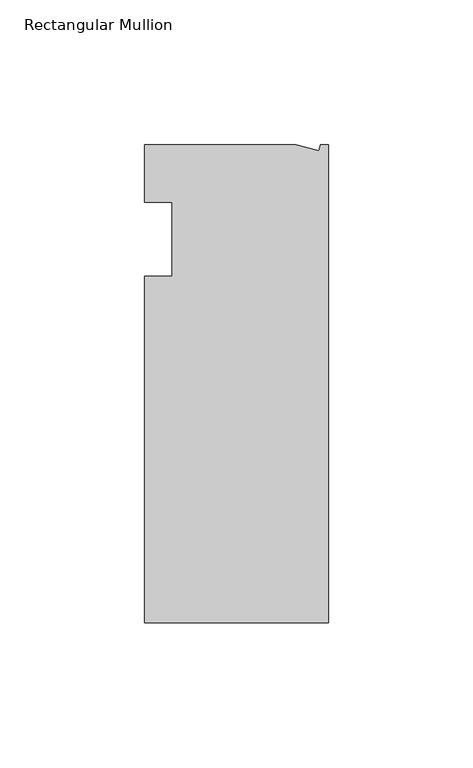
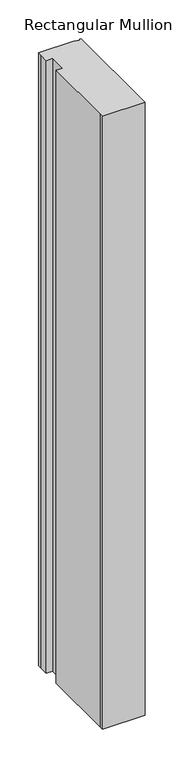
"""IFC4 building model written with IfcOpenShell, lengths in millimetres: member geometry, Rectangular Mullion."""

import ifcopenshell
import ifcopenshell.guid

model = None  # the IFC model being written
_history = None  # IfcOwnerHistory: only IFC2X3 demands one
_inside = {}  # id of a spatial element -> (the spatial element, [elements in it])
_under = {}  # id of a project, library or spatial element -> (it, [spatial elements below it])
_declared = {}  # id of a project -> (the project, [libraries it declares])
_typed = {}  # id of a type object -> (the type object, [elements of that type])
_made_of = {}  # id of a material, layer set ... -> (it, [elements and type objects made of it])


def new_model(schema):
    """Start an empty IFC model of exactly this schema.

    Asked for "IFC4X3", IfcOpenShell would pick the latest addendum, in which some entities
    have other attributes; the version numbers below select the first issue.
    IFC2X3 requires an IfcOwnerHistory on every rooted entity: one is made here for all.
    """
    global model, _history
    if schema == "IFC4X3":
        model = ifcopenshell.file(schema_version=(4, 3, 0, 0))
    else:
        model = ifcopenshell.file(schema=schema)
    _inside.clear()
    _under.clear()
    _declared.clear()
    _typed.clear()
    _made_of.clear()
    _history = None
    if model.schema == "IFC2X3":
        org = make("IfcOrganization", Name="unknown")
        user = make(
            "IfcPersonAndOrganization",
            ThePerson=make("IfcPerson", FamilyName="unknown"),
            TheOrganization=org,
        )
        app = make(
            "IfcApplication",
            ApplicationDeveloper=org,
            Version="unknown",
            ApplicationFullName="unknown",
            ApplicationIdentifier="unknown",
        )
        _history = make(
            "IfcOwnerHistory",
            OwningUser=user,
            OwningApplication=app,
            ChangeAction="ADDED",
            CreationDate=0,
        )
    return model


def make(cls, **values):
    """One entity of the class cls with the attributes given. An attribute that is None is left unset."""
    return model.create_entity(
        cls, **{name: value for name, value in values.items() if value is not None}
    )


def rooted(cls, **values):
    """An entity with a GlobalId (a new one), such as an element, a storey or a relation."""
    return make(cls, GlobalId=ifcopenshell.guid.new(), OwnerHistory=_history, **values)


def si_unit(unit_type, name, prefix=None):
    """IfcSIUnit, for example si_unit("LENGTHUNIT", "METRE", prefix="MILLI")."""
    return make("IfcSIUnit", UnitType=unit_type, Prefix=prefix, Name=name)


def assignment(units):
    """IfcUnitAssignment: the units of a project."""
    return None if units is None else make("IfcUnitAssignment", Units=units)


def point(xyz):
    """IfcCartesianPoint."""
    return None if xyz is None else make("IfcCartesianPoint", Coordinates=xyz)


def direction(xyz):
    """IfcDirection."""
    return None if xyz is None else make("IfcDirection", DirectionRatios=xyz)


def frame(location, z_axis=None, x_axis=None):
    """IfcAxis2Placement3D, a coordinate frame: its origin and axes. An axis left out is left unset."""
    return make(
        "IfcAxis2Placement3D",
        Location=point(location),
        Axis=direction(z_axis),
        RefDirection=direction(x_axis),
    )


def origin():
    """The frame at (0, 0, 0) with its axes left unset."""
    return frame((0.0, 0.0, 0.0))


def place(relative_to, where):
    """IfcLocalPlacement: puts the frame where relative to a parent placement (None: the world)."""
    return make(
        "IfcLocalPlacement", PlacementRelTo=relative_to, RelativePlacement=where
    )


def context(
    kind, dimensions, precision=None, world=None, true_north=None, identifier=None
):
    """IfcGeometricRepresentationContext, for example the 3D "Model" context."""
    return make(
        "IfcGeometricRepresentationContext",
        ContextIdentifier=identifier,
        ContextType=kind,
        CoordinateSpaceDimension=dimensions,
        Precision=precision,
        WorldCoordinateSystem=world,
        TrueNorth=true_north,
    )


def project(units=None, contexts=None):
    """IfcProject with its units and contexts."""
    return rooted(
        "IfcProject",
        Name="project",
        RepresentationContexts=contexts,
        UnitsInContext=assignment(units),
    )


def spatial(cls, under=None, at=None, **own):
    """A site, building, storey or space (cls), placed at a placement, below another one or the project."""
    s = rooted(cls, ObjectPlacement=at, **own)
    if under is not None:
        _under.setdefault(under.id(), (under, []))[1].append(s)
    return s


def faces_of(points, faces, orient=None, outer=None):
    """IfcFace entities. A face is a list of loops; a loop is a list of indices into points, from 0.

    orient and outer hold one flag for each loop. By default every Orientation is true, the
    first loop of a face is its IfcFaceOuterBound and the others are IfcFaceBound.
    """
    made = []
    for i, loops in enumerate(faces):
        bounds = []
        for j, loop in enumerate(loops):
            is_outer = j == 0 if outer is None else outer[i][j]
            bounds.append(
                make(
                    "IfcFaceOuterBound" if is_outer else "IfcFaceBound",
                    Bound=make("IfcPolyLoop", Polygon=[points[k] for k in loop]),
                    Orientation=True if orient is None else orient[i][j],
                )
            )
        made.append(make("IfcFace", Bounds=bounds))
    return made


def faceted_brep(points, faces, orient=None, outer=None, voids=None):
    """IfcFacetedBrep: a solid bounded by flat faces; with voids (closed shells), ...WithVoids."""
    shared = [point(p) for p in points]
    hull = make("IfcClosedShell", CfsFaces=faces_of(shared, faces, orient, outer))
    if voids is None:
        return make("IfcFacetedBrep", Outer=hull)
    return make(
        "IfcFacetedBrepWithVoids",
        Outer=hull,
        Voids=[
            make(cls, CfsFaces=faces_of(shared, fs, o, b)) for cls, fs, o, b in voids
        ],
    )


def shape(context_of_items, identifier, shape_type, items):
    """IfcShapeRepresentation: the items that make up one representation, for example the "Body"."""
    return make(
        "IfcShapeRepresentation",
        ContextOfItems=context_of_items,
        RepresentationIdentifier=identifier,
        RepresentationType=shape_type,
        Items=items,
    )


def source(mapping_origin, context_of_items, identifier, shape_type, items):
    """IfcRepresentationMap: a shape defined once, which mapped items show again and again."""
    return make(
        "IfcRepresentationMap",
        MappingOrigin=mapping_origin,
        MappedRepresentation=shape(context_of_items, identifier, shape_type, items),
    )


def transform(
    local_origin,
    x_axis=None,
    y_axis=None,
    z_axis=None,
    scale=None,
    scale2=None,
    scale3=None,
    uniform=True,
):
    """IfcCartesianTransformationOperator3D, or its non-uniform kind. x_axis, y_axis, z_axis: its Axis1, 2, 3."""
    if uniform:
        return make(
            "IfcCartesianTransformationOperator3D",
            Axis1=direction(x_axis),
            Axis2=direction(y_axis),
            LocalOrigin=point(local_origin),
            Scale=scale,
            Axis3=direction(z_axis),
        )
    return make(
        "IfcCartesianTransformationOperator3DnonUniform",
        Axis1=direction(x_axis),
        Axis2=direction(y_axis),
        LocalOrigin=point(local_origin),
        Scale=scale,
        Axis3=direction(z_axis),
        Scale2=scale2,
        Scale3=scale3,
    )


def mapped(mapping_source, mapping_target):
    """IfcMappedItem: shows the shape of a source again, moved by a transform."""
    return make(
        "IfcMappedItem", MappingSource=mapping_source, MappingTarget=mapping_target
    )


def made_of(thing, what):
    """Note that an element or type object is made of a material, layer set ...; save() writes the relation."""
    if what is not None:
        _made_of.setdefault(what.id(), (what, []))[1].append(thing)
    return thing


def element(
    cls,
    number,
    at=None,
    inside=None,
    cuts=None,
    type_object=None,
    material=None,
    context=None,
    identifier="Body",
    shape_type=None,
    held_by="IfcProductDefinitionShape",
    body=None,
    shapes=None,
    **own,
):
    """One element of the class cls, such as IfcWall. Its Tag is "e" and its number.

    at: its placement. inside: the storey or other place that contains it. cuts: it is an
    opening in that element (IfcRelVoidsElement). A single representation is given by context,
    identifier, shape_type and body (its items); several are given by shapes. held_by: the class
    of the entity that holds the representations. save() writes the other relations.
    """
    e = rooted(cls, Tag="e%d" % number, ObjectPlacement=at, **own)
    if body is not None:
        shapes = [shape(context, identifier, shape_type, body)]
    if shapes is not None:
        e.Representation = make(held_by, Representations=shapes)
    if inside is not None:
        _inside.setdefault(inside.id(), (inside, []))[1].append(e)
    if cuts is not None:
        rooted(
            "IfcRelVoidsElement", RelatingBuildingElement=cuts, RelatedOpeningElement=e
        )
    if type_object is not None:
        _typed.setdefault(type_object.id(), (type_object, []))[1].append(e)
    return made_of(e, material)


def aggregate(whole, parts):
    """IfcRelAggregates: a whole, such as a stair, and the parts it consists of."""
    return rooted("IfcRelAggregates", RelatingObject=whole, RelatedObjects=parts)


def save(model, path):
    """Write the relations noted so far, then the file.

    IfcRelAggregates (storeys below a building ...), IfcRelContainedInSpatialStructure (elements
    in a storey), IfcRelDefinesByType, IfcRelAssociatesMaterial and IfcRelDeclares: one each for
    every whole, place, type object, material and project.
    """
    for whole, parts in _under.values():
        aggregate(whole, parts)
    for where, things in _inside.values():
        rooted(
            "IfcRelContainedInSpatialStructure",
            RelatedElements=things,
            RelatingStructure=where,
        )
    for kind, things in _typed.values():
        rooted("IfcRelDefinesByType", RelatedObjects=things, RelatingType=kind)
    for what, things in _made_of.values():
        rooted("IfcRelAssociatesMaterial", RelatedObjects=things, RelatingMaterial=what)
    for by, libraries in _declared.values():
        rooted("IfcRelDeclares", RelatingContext=by, RelatedDefinitions=libraries)
    model.write(path)


def rectangular_mullion_2d5a33e2(model_context):
    return source(origin(), model_context, "Body", "Brep", [
        faceted_brep([(0.0, -132.5561012, 0.0), (0.0, 32.5438988, 0.0), (-2.7630634, 32.5438988, 0.0), (-3.3223696, 30.4565397, 0.0), (-11.1125, 32.5438988, 0.0), (-63.5076469, 32.5438988, 0.0), (-63.5076469, 26.1938988, 0.0), (-63.5, 12.7, 0.0), (-53.975, 12.7, 0.0), (-53.975, -12.8488281, 0.0), (-63.5, -12.8488281, 0.0), (-63.5, -126.2061012, 0.0), (-63.5, -132.5561012, 0.0), (0.0, -132.5561012, -965.2), (-63.5, -132.5561012, -965.2), (-63.5, -126.2061012, -965.2), (-63.5, -12.8488281, -965.2), (-53.975, -12.8488281, -965.2), (-53.975, 12.7, -965.2), (-63.5, 12.7, -965.2), (-63.5, 26.1938988, -965.2), (-63.5076469, 32.5438988, -965.2), (-11.1125, 32.5438988, -965.2), (-3.3223696, 30.4565397, -965.2), (-2.7630634, 32.5438988, -965.2), (0.0, 32.5438988, -965.2)], [[[0, 1, 2, 3, 4, 5, 6, 7, 8, 9, 10, 11, 12]], [[13, 14, 15, 16, 17, 18, 19, 20, 21, 22, 23, 24, 25]], [[7, 6, 20, 19]], [[8, 7, 19, 18]], [[9, 8, 18, 17]], [[10, 9, 17, 16]], [[11, 10, 16, 15]], [[0, 12, 14, 13]], [[1, 0, 13, 25]], [[2, 1, 25, 24]], [[3, 2, 24, 23]], [[4, 3, 23, 22]], [[5, 4, 22, 21]], [[6, 5, 21, 20]], [[12, 11, 15, 14]]]),
    ])


if __name__ == "__main__":
    model = new_model("IFC4")
    model_context = context("Model", 3, world=origin())
    ifc_project = project(units=[si_unit("LENGTHUNIT", "METRE", prefix="MILLI")], contexts=[model_context])
    site = spatial("IfcSite", under=ifc_project)
    building = spatial("IfcBuilding", under=site)
    placement = place(None, origin())
    rectangular_mullion_shape = rectangular_mullion_2d5a33e2(model_context)
    element("IfcMember", 1, ObjectType="Rectangular Mullion", at=placement, inside=building, context=model_context, shape_type="MappedRepresentation", body=[
        mapped(rectangular_mullion_shape, transform((0.0, 0.0, 0.0), x_axis=(1.0, 0.0, 0.0), y_axis=(0.0, 1.0, 0.0), z_axis=(0.0, 0.0, 1.0))),
    ])
    save(model, "model.ifc")
